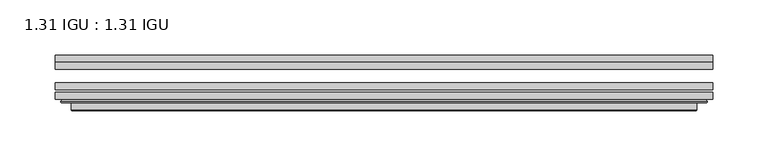
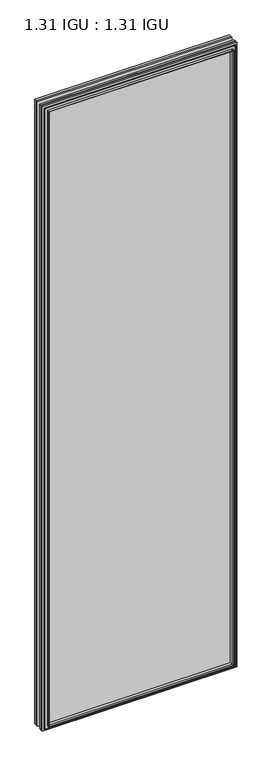
"""IFC4 building model written with IfcOpenShell, lengths in millimetres: plate geometry, 1.31 IGU : 1.31 IGU."""

from ifc_helpers import new_model, si_unit, frame, origin, place, context, project, spatial, polyline, ellipse_curve, outline, extrude, faceted_brep, source, transform, mapped, element, save
from ifc_brep_helpers import plane_surface, cylinder_surface, advanced_brep


def plate_1_31_igu_1_31_igu_212eaf7e(model_context):
    return source(origin(), model_context, "Body", "SolidModel", [
        extrude(outline(polyline([(296.7310218, -66.4725937), (296.7310218, -72.8225938), (-296.7168469, -72.8225938), (-296.7168469, -66.4725937), (296.7310218, -66.4725937)])), frame((0.0, 0.0, -14.2875), z_axis=(0.0, 0.0, 1.0), x_axis=(1.0, 0.0, 0.0)), (0.0, 0.0, 1.0), 2009.7964726),
        extrude(outline(polyline([(-296.7168469, -81.4585938), (-296.7168469, -75.1080887), (296.7310218, -75.1080887), (296.7310218, -81.4585938), (-296.7168469, -81.4585938)])), frame((0.0, 0.0, -14.2875), z_axis=(0.0, 0.0, 1.0), x_axis=(1.0, 0.0, 0.0)), (0.0, 0.0, 1.0), 2009.7964726),
        extrude(outline(polyline([(296.7310218, -48.1337937), (296.7310218, -54.4837938), (-296.7168469, -54.4837938), (-296.7168469, -48.1337937), (296.7310218, -48.1337937)])), frame((0.0, 0.0, -14.2875), z_axis=(0.0, 0.0, 1.0), x_axis=(1.0, 0.0, 0.0)), (0.0, 0.0, 1.0), 2009.7964726),
        faceted_brep([(-282.4240371, -41.7837938, 1981.2123649), (-281.5316028, -48.1337937, 1980.3199306), (-281.5316028, -48.1337937, 0.8977441), (-282.4240371, -41.7837938, 0.0053098), (-296.7295469, -48.1337937, 1995.5178747), (-296.7295469, -41.7837938, 1995.5178747), (-296.7295469, -41.7837938, -14.3002), (-296.7295469, -48.1337937, -14.3002), (281.5316028, -48.1337937, 0.8977441), (282.4240371, -41.7837938, 0.0053098), (296.7295469, -41.7837938, -14.3002), (296.7295469, -48.1337937, -14.3002), (281.5316028, -48.1337937, 1980.3199306), (282.4240371, -41.7837938, 1981.2123649), (296.7295469, -41.7837938, 1995.5178747), (296.7295469, -48.1337937, 1995.5178747)], [[[0, 1, 2, 3]], [[4, 5, 6, 7]], [[3, 2, 8, 9]], [[7, 6, 10, 11]], [[9, 8, 12, 13]], [[11, 10, 14, 15]], [[7, 11, 15, 4], [1, 12, 8, 2]], [[13, 12, 1, 0]], [[5, 14, 10, 6], [3, 9, 13, 0]], [[15, 14, 5, 4]]]),
        advanced_brep(
        [(-290.8279818, -84.6335938, 1989.6163096), (-291.8297713, -83.4482604, 1990.6180991), (-291.8297713, -83.4482604, -9.4004244), (-290.8279818, -84.6335938, -8.3986349), (-282.4239253, -91.0948368, 1981.2122532), (-282.4239253, -84.6335938, 1981.2122532), (-282.4239253, -84.6335938, 0.0054216), (-282.4239253, -91.0948368, 0.0054216), (-281.4332685, -90.6958619, 1980.2215964), (-281.4332685, -90.6958619, 0.9960783), (-280.4012408, -85.2986307, 1979.1895686), (-280.4012408, -85.2986307, 2.0281061), (-275.4664089, -81.4585938, 1974.2547368), (-275.4664089, -81.4585938, 6.9629379), (-289.4755659, -81.4585938, 1988.2638938), (-289.4755659, -81.4585938, -7.046219), (291.8297713, -83.4482604, -9.4004244), (290.8279818, -84.6335938, -8.3986349), (282.4239253, -84.6335938, 0.0054216), (282.4239253, -91.0948368, 0.0054216), (281.4332685, -90.6958619, 0.9960783), (280.4012408, -85.2986307, 2.0281061), (275.4664089, -81.4585938, 6.9629379), (289.4755659, -81.4585938, -7.046219), (291.8297713, -83.4482604, 1990.6180991), (290.8279818, -84.6335938, 1989.6163096), (282.4239253, -84.6335938, 1981.2122532), (282.4239253, -91.0948368, 1981.2122532), (281.4332685, -90.6958619, 1980.2215964), (280.4012408, -85.2986307, 1979.1895686), (275.4664089, -81.4585938, 1974.2547368), (289.4755659, -81.4585938, 1988.2638938)],
        [
            (0, 1, ellipse_curve(frame((-290.8279818, -83.6175938, 1989.6163096), z_axis=(-0.7071067811865475, 0.0, -0.7071067811865475), x_axis=(-0.7071067811865474, 0.0, 0.7071067811865476)), 1.436841, 1.016)),
            (1, 2),
            (2, 3, ellipse_curve(frame((-290.8279818, -83.6175938, -8.3986349), z_axis=(-0.7071067811865475, 0.0, 0.7071067811865475), x_axis=(0.7071067811865474, 0.0, 0.7071067811865476)), 1.436841, 1.016)),
            (3, 0),
            (4, 5),
            (5, 6),
            (6, 7),
            (7, 4),
            (8, 4, ellipse_curve(frame((-282.0569687, -90.5766015, 1980.8452966), z_axis=(-0.7071067811865475, 0.0, -0.7071067811865475), x_axis=(-0.7071067811865474, 0.0, 0.7071067811865476)), 0.8980256, 0.635)),
            (7, 9, ellipse_curve(frame((-282.0569687, -90.5766015, 0.3723781), z_axis=(-0.7071067811865475, 0.0, 0.7071067811865475), x_axis=(0.7071067811865474, 0.0, 0.7071067811865476)), 0.8980256, 0.635)),
            (9, 8),
            (10, 8),
            (9, 11),
            (11, 10),
            (12, 10),
            (11, 13),
            (13, 12),
            (1, 14, ellipse_curve(frame((-289.4755659, -83.8461938, 1988.2638938), z_axis=(-0.7071067811865475, 0.0, -0.7071067811865475), x_axis=(-0.7071067811865474, 0.0, 0.7071067811865476)), 3.3765763, 2.3876)),
            (14, 15),
            (15, 2, ellipse_curve(frame((-289.4755659, -83.8461938, -7.046219), z_axis=(-0.7071067811865475, 0.0, 0.7071067811865475), x_axis=(0.7071067811865474, 0.0, 0.7071067811865476)), 3.3765763, 2.3876)),
            (2, 16),
            (16, 17, ellipse_curve(frame((290.8279818, -83.6175938, -8.3986349), z_axis=(-0.7071067811865475, 0.0, -0.7071067811865475), x_axis=(-0.7071067811865476, 0.0, 0.7071067811865474)), 1.436841, 1.016)),
            (17, 3),
            (6, 18),
            (18, 19),
            (19, 7),
            (19, 20, ellipse_curve(frame((282.0569687, -90.5766015, 0.3723781), z_axis=(-0.7071067811865475, 0.0, -0.7071067811865475), x_axis=(-0.7071067811865476, 0.0, 0.7071067811865474)), 0.8980256, 0.635)),
            (20, 9),
            (20, 21),
            (21, 11),
            (21, 22),
            (22, 13),
            (15, 23),
            (23, 16, ellipse_curve(frame((289.4755659, -83.8461938, -7.046219), z_axis=(-0.7071067811865475, 0.0, -0.7071067811865475), x_axis=(-0.7071067811865476, 0.0, 0.7071067811865474)), 3.3765763, 2.3876)),
            (16, 24),
            (24, 25, ellipse_curve(frame((290.8279818, -83.6175938, 1989.6163096), z_axis=(0.7071067811865475, 0.0, -0.7071067811865475), x_axis=(-0.7071067811865474, 0.0, -0.7071067811865476)), 1.436841, 1.016)),
            (25, 17),
            (18, 26),
            (26, 27),
            (27, 19),
            (27, 28, ellipse_curve(frame((282.0569687, -90.5766015, 1980.8452966), z_axis=(0.7071067811865475, 0.0, -0.7071067811865475), x_axis=(-0.7071067811865474, 0.0, -0.7071067811865476)), 0.8980256, 0.635)),
            (28, 20),
            (28, 29),
            (29, 21),
            (29, 30),
            (30, 22),
            (23, 31),
            (31, 24, ellipse_curve(frame((289.4755659, -83.8461938, 1988.2638938), z_axis=(0.7071067811865475, 0.0, -0.7071067811865475), x_axis=(-0.7071067811865474, 0.0, -0.7071067811865476)), 3.3765763, 2.3876)),
            (24, 1),
            (0, 25),
            (5, 26),
            (4, 27),
            (8, 28),
            (10, 29),
            (12, 30),
            (14, 31),
        ],
        [
            cylinder_surface(frame((-290.8279818, -83.6175938, 2012.9676747), z_axis=(0.0, 0.0, 1.0), x_axis=(-1.0, 0.0, 0.0)), 1.016),
            plane_surface(frame((-282.4239253, -84.6335938, 1981.2122532), z_axis=(-1.0, 0.0, 0.0), x_axis=(0.0, 0.0, -1.0))),
            cylinder_surface(frame((-282.0569687, -90.5766015, 2012.9676747), z_axis=(0.0, 0.0, 1.0), x_axis=(-1.0, 0.0, 0.0)), 0.635),
            plane_surface(frame((-281.4332685, -90.6958619, 1980.2215964), z_axis=(0.9822050625507717, -0.1878116479338675, 0.0), x_axis=(0.0, 0.0, -1.0))),
            plane_surface(frame((-280.4012408, -85.2986307, 1979.1895686), z_axis=(0.6141233906514726, -0.7892100234124875, 0.0), x_axis=(0.0, 0.0, -1.0))),
            cylinder_surface(frame((-289.4755659, -83.8461938, 2012.9676747), z_axis=(0.0, 0.0, 1.0), x_axis=(-1.0, 0.0, 0.0)), 2.3876),
            cylinder_surface(frame((-314.1793469, -83.6175938, -8.3986349), z_axis=(-1.0, 0.0, 0.0), x_axis=(0.0, 0.0, -1.0)), 1.016),
            plane_surface(frame((-282.4239253, -84.6335938, 0.0054216), z_axis=(0.0, 0.0, -1.0), x_axis=(1.0, 0.0, 0.0))),
            cylinder_surface(frame((-314.1793469, -90.5766015, 0.3723781), z_axis=(-1.0, 0.0, 0.0), x_axis=(0.0, 0.0, -1.0)), 0.635),
            plane_surface(frame((-281.4332685, -90.6958619, 0.9960783), z_axis=(0.0, -0.18781164793386435, 0.9822050625507722), x_axis=(1.0, 0.0, 0.0))),
            plane_surface(frame((-280.4012408, -85.2986307, 2.0281061), z_axis=(0.0, -0.7892100234124855, 0.6141233906514751), x_axis=(1.0, 0.0, 0.0))),
            cylinder_surface(frame((-314.1793469, -83.8461938, -7.046219), z_axis=(-1.0, 0.0, 0.0), x_axis=(0.0, 0.0, -1.0)), 2.3876),
            cylinder_surface(frame((290.8279818, -83.6175938, -31.75), z_axis=(0.0, 0.0, -1.0), x_axis=(1.0, 0.0, 0.0)), 1.016),
            plane_surface(frame((282.4239253, -84.6335938, 0.0054216), z_axis=(1.0, 0.0, 0.0), x_axis=(0.0, 0.0, 1.0))),
            cylinder_surface(frame((282.0569687, -90.5766015, -31.75), z_axis=(0.0, 0.0, -1.0), x_axis=(1.0, 0.0, 0.0)), 0.635),
            plane_surface(frame((281.4332685, -90.6958619, 0.9960783), z_axis=(-0.9822050625507728, -0.18781164793386118, 0.0), x_axis=(0.0, 0.0, 1.0))),
            plane_surface(frame((280.4012408, -85.2986307, 2.0281061), z_axis=(-0.6141233906514777, -0.7892100234124835, 0.0), x_axis=(0.0, 0.0, 1.0))),
            cylinder_surface(frame((289.4755659, -83.8461938, -31.75), z_axis=(0.0, 0.0, -1.0), x_axis=(1.0, 0.0, 0.0)), 2.3876),
            cylinder_surface(frame((314.1793469, -83.6175938, 1989.6163096), z_axis=(1.0, 0.0, 0.0), x_axis=(0.0, 0.0, 1.0)), 1.016),
            plane_surface(frame((290.8279818, -84.6335938, 1989.6163096), z_axis=(0.0, -1.0, 0.0), x_axis=(-1.0, 0.0, 0.0))),
            plane_surface(frame((282.4239253, -84.6335938, 1981.2122532), z_axis=(0.0, 0.0, 1.0), x_axis=(-1.0, 0.0, 0.0))),
            cylinder_surface(frame((314.1793469, -90.5766015, 1980.8452966), z_axis=(1.0, 0.0, 0.0), x_axis=(0.0, 0.0, 1.0)), 0.635),
            plane_surface(frame((281.4332685, -90.6958619, 1980.2215964), z_axis=(0.0, -0.18781164793386435, -0.9822050625507722), x_axis=(-1.0, 0.0, 0.0))),
            plane_surface(frame((280.4012408, -85.2986307, 1979.1895686), z_axis=(0.0, -0.7892100234124855, -0.6141233906514751), x_axis=(-1.0, 0.0, 0.0))),
            plane_surface(frame((275.4664089, -81.4585938, 1974.2547368), z_axis=(0.0, 1.0, 0.0), x_axis=(-1.0, 0.0, 0.0))),
            cylinder_surface(frame((314.1793469, -83.8461938, 1988.2638938), z_axis=(1.0, 0.0, 0.0), x_axis=(0.0, 0.0, 1.0)), 2.3876),
        ],
        [
            (0, [[1, 2, 3, 4]]),
            (1, [[5, 6, 7, 8]]),
            (2, [[9, -8, 10, 11]]),
            (3, [[12, -11, 13, 14]]),
            (4, [[15, -14, 16, 17]]),
            (5, [[18, 19, 20, -2]]),
            (6, [[-3, 21, 22, 23]]),
            (7, [[-7, 24, 25, 26]]),
            (8, [[-10, -26, 27, 28]]),
            (9, [[-13, -28, 29, 30]]),
            (10, [[-16, -30, 31, 32]]),
            (11, [[-20, 33, 34, -21]]),
            (12, [[-22, 35, 36, 37]]),
            (13, [[-25, 38, 39, 40]]),
            (14, [[-27, -40, 41, 42]]),
            (15, [[-29, -42, 43, 44]]),
            (16, [[-31, -44, 45, 46]]),
            (17, [[-34, 47, 48, -35]]),
            (18, [[-36, 49, -1, 50]]),
            (19, [[-23, -37, -50, -4], [51, -38, -24, -6]]),
            (20, [[-39, -51, -5, 52]]),
            (21, [[-41, -52, -9, 53]]),
            (22, [[-43, -53, -12, 54]]),
            (23, [[-45, -54, -15, 55]]),
            (24, [[56, -47, -33, -19], [-32, -46, -55, -17]]),
            (25, [[-48, -56, -18, -49]]),
        ],
    ),
    ])


if __name__ == "__main__":
    model = new_model("IFC4")
    model_context = context("Model", 3, world=origin())
    ifc_project = project(units=[si_unit("LENGTHUNIT", "METRE", prefix="MILLI")], contexts=[model_context])
    site = spatial("IfcSite", under=ifc_project)
    building = spatial("IfcBuilding", under=site)
    placement = place(None, origin())
    plate_1_31_igu_1_31_igu_shape = plate_1_31_igu_1_31_igu_212eaf7e(model_context)
    element("IfcPlate", 1, ObjectType="1.31 IGU : 1.31 IGU", at=placement, inside=building, context=model_context, shape_type="MappedRepresentation", body=[
        mapped(plate_1_31_igu_1_31_igu_shape, transform((0.0, 0.0, 0.0), x_axis=(1.0, 0.0, 0.0), y_axis=(0.0, 1.0, 0.0), z_axis=(0.0, 0.0, 1.0))),
    ])
    save(model, "model.ifc")
